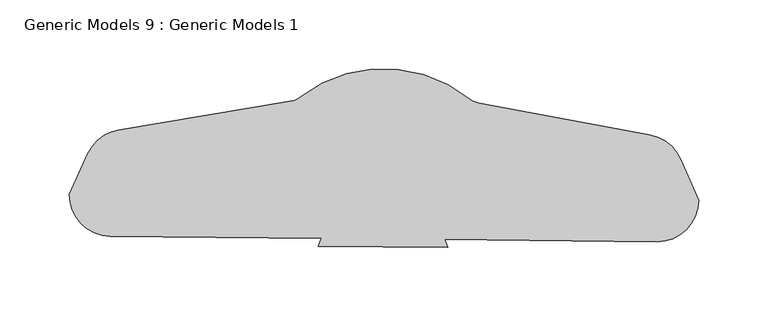
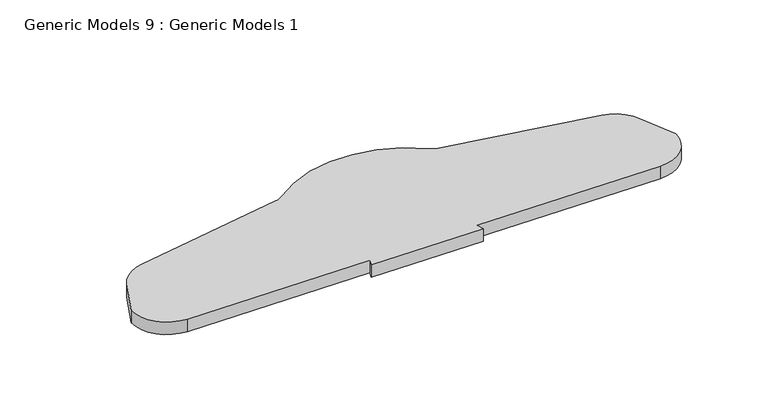
"""IFC4 building model written with IfcOpenShell, lengths in millimetres: proxy geometry, Generic Models 9 : Generic Models 1."""

from ifc_helpers import new_model, si_unit, point, frame, frame_2d, origin, place, context, project, spatial, polyline, circle_curve, trimmed, segment, composite_curve, outline, extrude, source, transform, mapped, element, save


def generic_models_9_generic_models_1_fc2819ae(model_context):
    return source(origin(), model_context, "Body", "SweptSolid", [
        extrude(outline(composite_curve([segment(polyline([(31558.6298354, -15515.4649782), (31682.7463137, -15494.8246101)]), True, "CONTINUOUS"), segment(trimmed(circle_curve(frame_2d((31680.2856313, -15480.0278185)), 15.0), [point((31682.7463137, -15494.8246101))], [point((31689.475647, -15491.8829275))], True, "CARTESIAN"), True, "CONTINUOUS"), segment(trimmed(circle_curve(frame_2d((31749.8022147, -15569.7041264)), 98.4653938), [point((31689.475647, -15491.8829275))], [point((31811.6778131, -15493.1087997))], False, "CARTESIAN"), True, "CONTINUOUS"), segment(trimmed(circle_curve(frame_2d((31821.1038047, -15481.4404372)), 15.0), [point((31811.6778131, -15493.1087997))], [point((31818.3467792, -15496.1848874))], True, "CARTESIAN"), True, "CONTINUOUS"), segment(polyline([(31818.3467792, -15496.1848874), (31942.0242135, -15519.3110023)]), True, "CONTINUOUS"), segment(trimmed(circle_curve(frame_2d((31936.5101624, -15548.7999026)), 30.0), [point((31942.0242135, -15519.3110023))], [point((31964.0247294, -15536.8437912))], False, "CARTESIAN"), True, "CONTINUOUS"), segment(polyline([(31964.0247294, -15536.8437912), (31976.9205718, -15566.5209587)]), True, "CONTINUOUS"), segment(trimmed(circle_curve(frame_2d((31946.9220811, -15566.2200285)), 30.0), [point((31976.9205718, -15566.5209587))], [point((31946.621151, -15596.2185192))], False, "CARTESIAN"), True, "CONTINUOUS"), segment(polyline([(31946.621151, -15596.2185192), (31793.7276771, -15594.684767), (31795.8195027, -15600.4338216), (31702.3519323, -15599.4962008), (31704.5586687, -15593.7902673), (31552.4909814, -15592.2647989)]), True, "CONTINUOUS"), segment(trimmed(circle_curve(frame_2d((31552.7919115, -15562.2663083)), 30.0), [point((31552.4909814, -15592.2647989))], [point((31522.7934209, -15561.9653781))], False, "CARTESIAN"), True, "CONTINUOUS"), segment(polyline([(31522.7934209, -15561.9653781), (31536.2820217, -15532.5528864)]), True, "CONTINUOUS"), segment(trimmed(circle_curve(frame_2d((31563.5512001, -15545.0585614)), 30.0), [point((31536.2820217, -15532.5528864))], [point((31558.6298354, -15515.4649782))], False, "CARTESIAN"), True, "CONTINUOUS")], self_intersect=False)), frame((0.0, 0.0, 850.0), z_axis=(0.0, 0.0, 1.0), x_axis=(1.0, 0.0, 0.0)), (0.0, 0.0, 1.0), 11.1715949),
    ])


if __name__ == "__main__":
    model = new_model("IFC4")
    model_context = context("Model", 3, world=origin())
    ifc_project = project(units=[si_unit("LENGTHUNIT", "METRE", prefix="MILLI")], contexts=[model_context])
    site = spatial("IfcSite", under=ifc_project)
    building = spatial("IfcBuilding", under=site)
    placement = place(None, origin())
    generic_models_9_generic_models_1_shape = generic_models_9_generic_models_1_fc2819ae(model_context)
    element("IfcBuildingElementProxy", 1, Name="Generic Models 9 : Generic Models 1", ObjectType="Generic Models 9 : Generic Models 1", at=placement, inside=building, context=model_context, shape_type="MappedRepresentation", body=[
        mapped(generic_models_9_generic_models_1_shape, transform((0.0, 0.0, 0.0), x_axis=(1.0, 0.0, 0.0), y_axis=(0.0, 1.0, 0.0), z_axis=(0.0, 0.0, 1.0))),
    ])
    save(model, "model.ifc")
